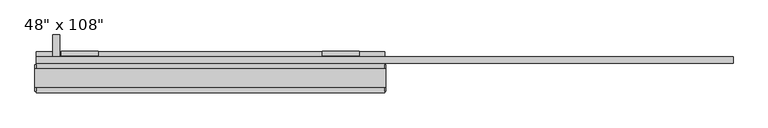
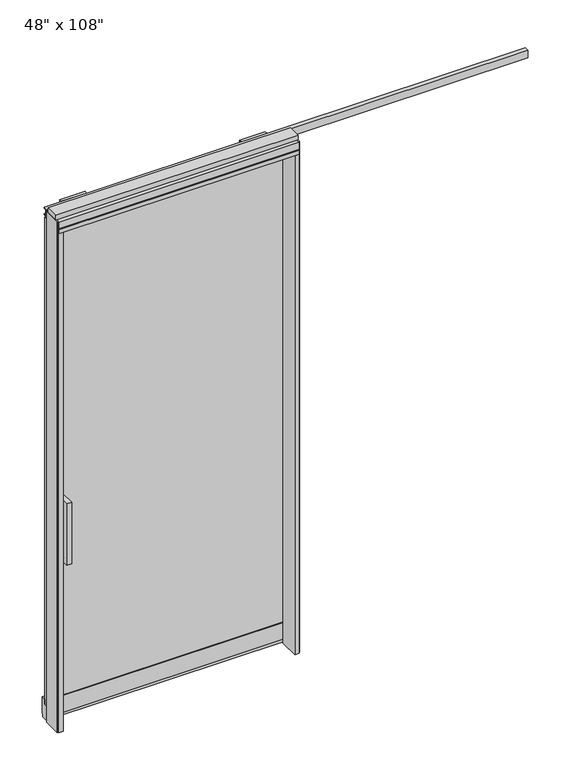
"""IFC4 building model written with IfcOpenShell, lengths in millimetres: furniture geometry."""

from ifc_helpers import new_model, si_unit, frame, origin, origin_with_axes, place, context, project, spatial, polyline, outline, extrude, source, transform, mapped, element, save


def furniture_7c117798(model_context):
    return source(origin(), model_context, "Body", "SweptSolid", [
        extrude(outline(polyline([(545.6264771, 74.3677216), (545.6264771, 64.2077216), (-665.6995229, 64.2077216), (-665.6995229, 74.3677216), (545.6264771, 74.3677216)])), frame((0.0, 0.0, 77.851), z_axis=(0.0, 0.0, 1.0), x_axis=(1.0, 0.0, 0.0)), (0.0, 0.0, 1.0), 2592.959),
        extrude(outline(polyline([(64.2077216, 852.297), (-16.0562784, 852.297), (-16.0562784, 1179.703), (64.2077216, 1179.703), (64.2077216, 1154.303), (9.3437216, 1154.303), (9.3437216, 877.697), (64.2077216, 877.697), (64.2077216, 852.297)])), frame((-608.4225229, 0.0, 0.0), z_axis=(1.0, 0.0, 0.0), x_axis=(0.0, 1.0, 0.0)), (0.0, 0.0, 1.0), 25.4),
        extrude(outline(polyline([(74.3677216, 852.297), (74.3677216, 877.697), (129.2317216, 877.697), (129.2317216, 1154.303), (74.3677216, 1154.303), (74.3677216, 1179.703), (154.6317216, 1179.703), (154.6317216, 852.297), (74.3677216, 852.297)])), frame((-608.4225229, 0.0, 0.0), z_axis=(1.0, 0.0, 0.0), x_axis=(0.0, 1.0, 0.0)), (0.0, 0.0, 1.0), 25.4),
        extrude(outline(polyline([(63.9537216, 2628.9), (60.3977216, 2628.9), (60.3977216, 2676.779), (83.0037216, 2676.779), (83.0037216, 2717.8), (98.4977216, 2717.8), (98.4977216, 2628.9), (76.2727216, 2628.9), (76.2727216, 2670.81), (63.9537216, 2670.81), (63.9537216, 2628.9)])), frame((-577.4345229, 0.0, 0.0), z_axis=(1.0, 0.0, 0.0), x_axis=(0.0, 1.0, 0.0)), (0.0, 0.0, 1.0), 128.016),
        extrude(outline(polyline([(63.9537216, 2628.9), (60.3977216, 2628.9), (60.3977216, 2676.779), (83.0037216, 2676.779), (83.0037216, 2717.8), (98.4977216, 2717.8), (98.4977216, 2628.9), (76.2727216, 2628.9), (76.2727216, 2670.81), (63.9537216, 2670.81), (63.9537216, 2628.9)])), frame((329.3454771, 0.0, 0.0), z_axis=(1.0, 0.0, 0.0), x_axis=(0.0, 1.0, 0.0)), (0.0, 0.0, 1.0), 128.016),
        extrude(outline(polyline([(77.9237216, 2681.478), (56.2067216, 2681.478), (56.2067216, 2721.102), (77.9237216, 2721.102), (77.9237216, 2715.768), (65.2237216, 2715.768), (65.2237216, 2686.812), (77.9237216, 2686.812), (77.9237216, 2681.478)])), frame((-665.6995229, 0.0, 0.0), z_axis=(1.0, 0.0, 0.0), x_axis=(0.0, 1.0, 0.0)), (0.0, 0.0, 1.0), 2422.652),
        extrude(outline(polyline([(74.8757216, 77.851), (74.8757216, 105.664), (97.1007216, 105.664), (97.1007216, 16.764), (93.2907216, 16.764), (93.2907216, 0.0), (64.2077216, 0.0), (64.2077216, 16.764), (60.3977216, 16.764), (60.3977216, 105.664), (63.9537216, 105.664), (63.9537216, 77.851), (74.8757216, 77.851)])), frame((-665.6995229, 0.0, 0.0), z_axis=(1.0, 0.0, 0.0), x_axis=(0.0, 1.0, 0.0)), (0.0, 0.0, 1.0), 1211.326),
        extrude(outline(polyline([(-665.6995229, 55.3177216), (545.6264771, 55.3177216), (545.6264771, -46.2822784), (-665.6995229, -46.2822784), (-665.6995229, 55.3177216)])), frame((0.0, 0.0, 2654.3), z_axis=(0.0, 0.0, 1.0), x_axis=(1.0, 0.0, 0.0)), (0.0, 0.0, 1.0), 22.225),
        extrude(outline(polyline([(549.5634771, 50.3647216), (549.5634771, -41.3292784), (545.6264771, -41.3292784), (545.6264771, 50.3647216), (549.5634771, 50.3647216)])), origin_with_axes(), (0.0, 0.0, 1.0), 2717.8),
        extrude(outline(polyline([(-669.6365229, 50.3647216), (-665.6995229, 50.3647216), (-665.6995229, -41.3292784), (-669.6365229, -41.3292784), (-669.6365229, 50.3647216)])), origin_with_axes(), (0.0, 0.0, 1.0), 2717.8),
        extrude(outline(polyline([(523.4014771, 55.3177216), (545.6264771, 55.3177216), (545.6264771, -46.2822784), (523.4014771, -46.2822784), (523.4014771, 55.3177216)])), origin_with_axes(), (0.0, 0.0, 1.0), 2654.3),
        extrude(outline(polyline([(-643.4745229, 55.3177216), (-643.4745229, -46.2822784), (-665.6995229, -46.2822784), (-665.6995229, 55.3177216), (-643.4745229, 55.3177216)])), origin_with_axes(), (0.0, 0.0, 1.0), 2654.3),
        extrude(outline(polyline([(55.3177216, 2681.478), (50.3647216, 2681.478), (50.3647216, 2676.525), (-41.3292784, 2676.525), (-41.3292784, 2681.478), (-46.2822784, 2681.478), (-46.2822784, 2717.8), (55.3177216, 2717.8), (55.3177216, 2681.478)])), frame((-665.6995229, 0.0, 0.0), z_axis=(1.0, 0.0, 0.0), x_axis=(0.0, 1.0, 0.0)), (0.0, 0.0, 1.0), 1211.326),
        extrude(outline(polyline([(-669.6365229, 37.0297216), (549.5634771, 37.0297216), (549.5634771, -27.9942784), (-669.6365229, -27.9942784), (-669.6365229, 37.0297216)])), frame((0.0, 0.0, 2717.8), z_axis=(0.0, 0.0, 1.0), x_axis=(1.0, 0.0, 0.0)), (0.0, 0.0, 1.0), 25.4),
    ])


if __name__ == "__main__":
    model = new_model("IFC4")
    model_context = context("Model", 3, world=origin())
    ifc_project = project(units=[si_unit("LENGTHUNIT", "METRE", prefix="MILLI")], contexts=[model_context])
    site = spatial("IfcSite", under=ifc_project)
    building = spatial("IfcBuilding", under=site)
    placement = place(None, origin())
    furniture_shape = furniture_7c117798(model_context)
    element("IfcFurniture", 1, ObjectType="48\" x 108\"", at=placement, inside=building, context=model_context, shape_type="MappedRepresentation", body=[
        mapped(furniture_shape, transform((0.0, 0.0, 0.0), x_axis=(1.0, 0.0, 0.0), y_axis=(0.0, 1.0, 0.0), z_axis=(0.0, 0.0, 1.0))),
    ])
    save(model, "model.ifc")
